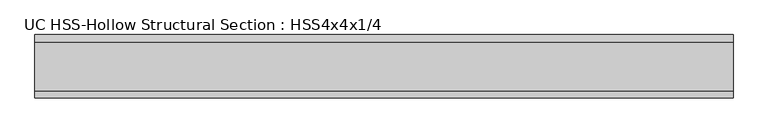
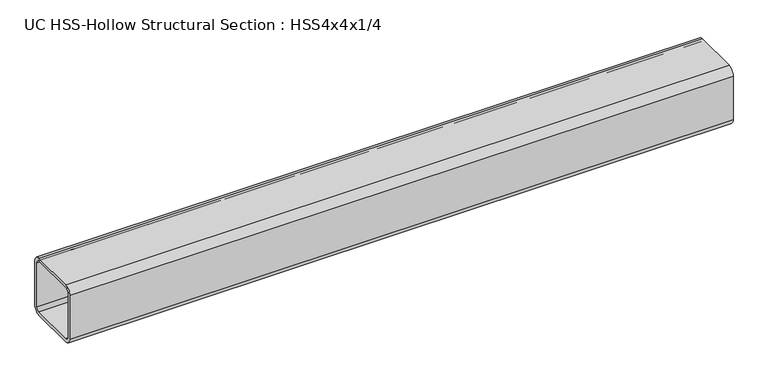
"""IFC4 building model written with IfcOpenShell, lengths in millimetres: beam geometry, UC HSS-Hollow Structural Section : HSS4x4x1/4."""

from ifc_helpers import new_model, si_unit, point, frame, frame_2d, origin, place, context, project, spatial, polyline, circle_curve, trimmed, segment, composite_curve, outline, extrude, source, transform, mapped, element, save


def uc_hss_hollow_structural_section_hss4x4x1_4_0df8cf1e(model_context):
    return source(origin(), model_context, "Body", "SweptSolid", [
        extrude(outline(composite_curve([segment(polyline([(50.8, 38.9636), (50.8, -38.9636)]), True, "CONTINUOUS"), segment(trimmed(circle_curve(frame_2d((38.9636, -38.9636)), 11.8364), [point((50.8, -38.9636))], [point((38.9636, -50.8))], False, "CARTESIAN"), True, "CONTINUOUS"), segment(polyline([(38.9636, -50.8), (-38.9636, -50.8)]), True, "CONTINUOUS"), segment(trimmed(circle_curve(frame_2d((-38.9636, -38.9636)), 11.8364), [point((-38.9636, -50.8))], [point((-50.8, -38.9636))], False, "CARTESIAN"), True, "CONTINUOUS"), segment(polyline([(-50.8, -38.9636), (-50.8, 38.9636)]), True, "CONTINUOUS"), segment(trimmed(circle_curve(frame_2d((-38.9636, 38.9636)), 11.8364), [point((-50.8, 38.9636))], [point((-38.9636, 50.8))], False, "CARTESIAN"), True, "CONTINUOUS"), segment(polyline([(-38.9636, 50.8), (38.9636, 50.8)]), True, "CONTINUOUS"), segment(trimmed(circle_curve(frame_2d((38.9636, 38.9636)), 11.8364), [point((38.9636, 50.8))], [point((50.8, 38.9636))], False, "CARTESIAN"), True, "CONTINUOUS")], self_intersect=False), holes=[composite_curve([segment(trimmed(circle_curve(frame_2d((-38.9636, 38.9636)), 5.9182), [point((-38.9636, 44.8818))], [point((-44.8818, 38.9636))], True, "CARTESIAN"), True, "CONTINUOUS"), segment(polyline([(-44.8818, 38.9636), (-44.8818, -38.9636)]), True, "CONTINUOUS"), segment(trimmed(circle_curve(frame_2d((-38.9636, -38.9636)), 5.9182), [point((-44.8818, -38.9636))], [point((-38.9636, -44.8818))], True, "CARTESIAN"), True, "CONTINUOUS"), segment(polyline([(-38.9636, -44.8818), (38.9636, -44.8818)]), True, "CONTINUOUS"), segment(trimmed(circle_curve(frame_2d((38.9636, -38.9636)), 5.9182), [point((38.9636, -44.8818))], [point((44.8818, -38.9636))], True, "CARTESIAN"), True, "CONTINUOUS"), segment(polyline([(44.8818, -38.9636), (44.8818, 38.9636)]), True, "CONTINUOUS"), segment(trimmed(circle_curve(frame_2d((38.9636, 38.9636)), 5.9182), [point((44.8818, 38.9636))], [point((38.9636, 44.8818))], True, "CARTESIAN"), True, "CONTINUOUS"), segment(polyline([(38.9636, 44.8818), (-38.9636, 44.8818)]), True, "CONTINUOUS")], self_intersect=False)]), frame((-533.4, 0.0, 0.0), z_axis=(1.0, 0.0, 0.0), x_axis=(0.0, 1.0, 0.0)), (0.0, 0.0, 1.0), 1116.653744),
    ])


if __name__ == "__main__":
    model = new_model("IFC4")
    model_context = context("Model", 3, world=origin())
    ifc_project = project(units=[si_unit("LENGTHUNIT", "METRE", prefix="MILLI")], contexts=[model_context])
    site = spatial("IfcSite", under=ifc_project)
    building = spatial("IfcBuilding", under=site)
    placement = place(None, origin())
    uc_hss_hollow_structural_section_hss4x4x1_4_shape = uc_hss_hollow_structural_section_hss4x4x1_4_0df8cf1e(model_context)
    element("IfcBeam", 1, ObjectType="UC HSS-Hollow Structural Section : HSS4x4x1/4", at=placement, inside=building, context=model_context, shape_type="MappedRepresentation", body=[
        mapped(uc_hss_hollow_structural_section_hss4x4x1_4_shape, transform((0.0, 0.0, 0.0), x_axis=(1.0, 0.0, 0.0), y_axis=(0.0, 1.0, 0.0), z_axis=(0.0, 0.0, 1.0))),
    ])
    save(model, "model.ifc")
